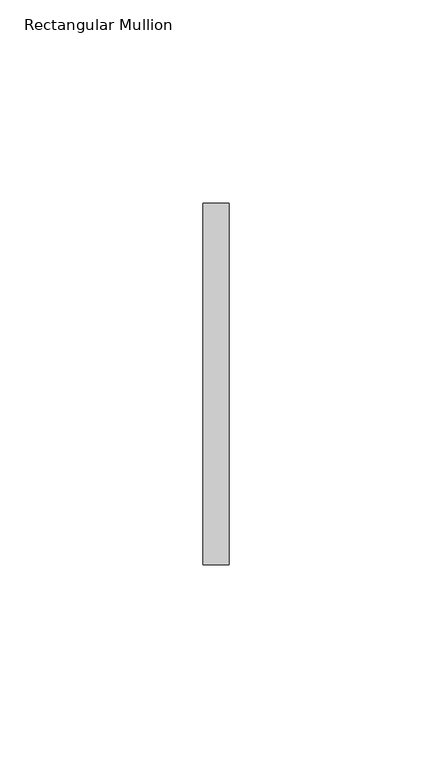
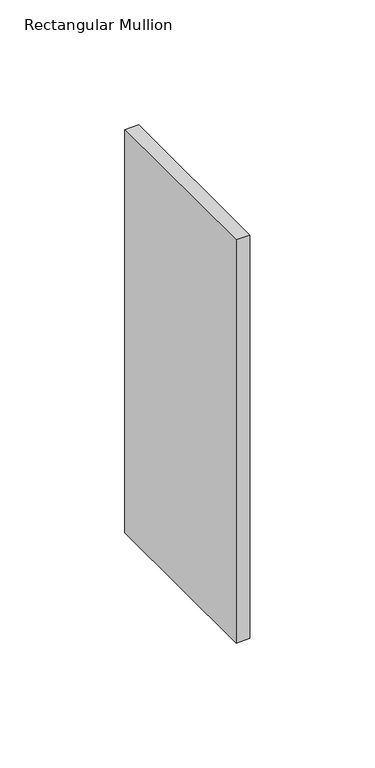
"""IFC4 building model written with IfcOpenShell, lengths in millimetres: member geometry, Rectangular Mullion."""

from ifc_helpers import new_model, si_unit, frame, origin, place, context, project, spatial, polyline, outline, extrude, source, transform, mapped, element, save


def rectangular_mullion_fd4e6f45(model_context):
    return source(origin(), model_context, "Body", "SweptSolid", [
        extrude(outline(polyline([(0.0, 44.45), (0.0, -44.45), (-6.35, -44.45), (-6.35, 44.45), (0.0, 44.45)])), frame((0.0, 0.0, -196.8500003), z_axis=(0.0, 0.0, 1.0), x_axis=(1.0, 0.0, 0.0)), (0.0, 0.0, 1.0), 196.8500003),
    ])


if __name__ == "__main__":
    model = new_model("IFC4")
    model_context = context("Model", 3, world=origin())
    ifc_project = project(units=[si_unit("LENGTHUNIT", "METRE", prefix="MILLI")], contexts=[model_context])
    site = spatial("IfcSite", under=ifc_project)
    building = spatial("IfcBuilding", under=site)
    placement = place(None, origin())
    rectangular_mullion_shape = rectangular_mullion_fd4e6f45(model_context)
    element("IfcMember", 1, ObjectType="Rectangular Mullion", at=placement, inside=building, context=model_context, shape_type="MappedRepresentation", body=[
        mapped(rectangular_mullion_shape, transform((0.0, 0.0, 0.0), x_axis=(1.0, 0.0, 0.0), y_axis=(0.0, 1.0, 0.0), z_axis=(0.0, 0.0, 1.0))),
    ])
    save(model, "model.ifc")
